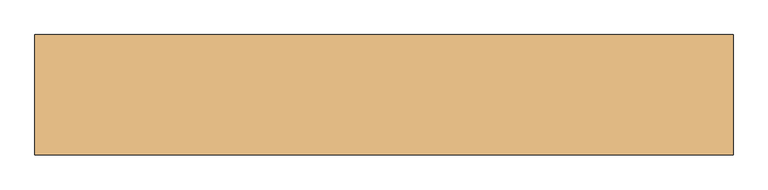
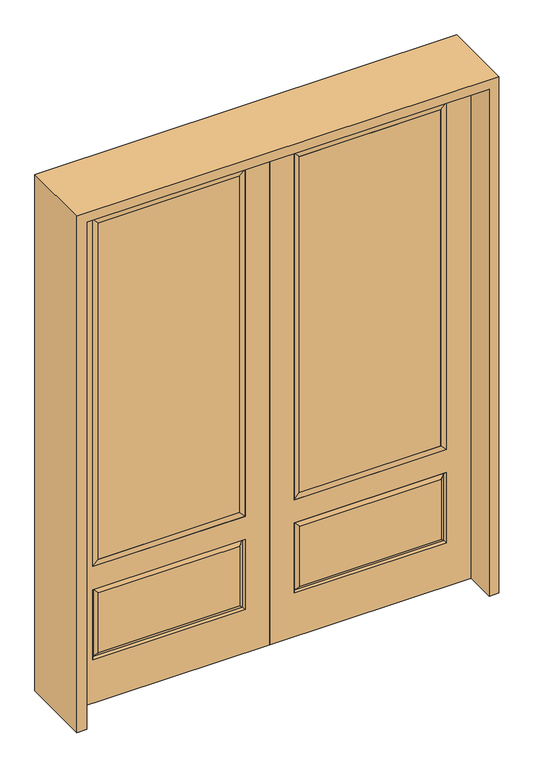
"""IFC4 building model written with IfcOpenShell, lengths in millimetres: door geometry."""

from ifc_helpers import new_model, si_unit, frame, origin, place, context, project, spatial, polyline, outline, extrude, faceted_brep, source, transform, mapped, element, save


def door_6c0e328c(model_context):
    return source(origin(), model_context, "Body", "SolidModel", [
        extrude(outline(polyline([(136.525, -20.32), (136.525, 5.08), (777.875, 5.08), (777.875, -20.32), (136.525, -20.32)])), frame((0.0, 0.0, 682.498), z_axis=(0.0, 0.0, 1.0), x_axis=(1.0, 0.0, 0.0)), (0.0, 0.0, 1.0), 1616.202),
        faceted_brep([(796.1661499, -12.7912373, 216.6588501), (778.66875, -22.225, 234.15625), (135.73125, -22.225, 234.15625), (118.2338501, -12.7912373, 216.6588501), (111.125, -22.225, 209.55), (803.275, -22.225, 209.55), (803.275, -22.225, 546.1), (796.1661499, -12.7912373, 538.9911499), (0.0, -22.225, 2438.4), (0.0, -22.225, 0.0), (914.4, -22.225, 0.0), (914.4, -22.225, 2438.4), (111.125, -22.225, 546.1), (111.125, -22.225, 2324.1), (803.275, -22.225, 2324.1), (803.275, -22.225, 657.098), (111.125, -22.225, 657.098), (778.66875, -22.225, 521.49375), (135.73125, -22.225, 521.49375), (118.2338501, -12.7912373, 538.9911499), (914.4, 22.225, 0.0), (914.4, 22.225, 2438.4), (0.0, 22.225, 0.0), (0.0, 22.225, 2438.4), (111.125, 22.225, 657.098), (111.125, 22.225, 2324.1), (803.275, 22.225, 657.098), (803.275, 22.225, 2324.1), (135.73125, 22.225, 234.15625), (135.73125, 22.225, 521.49375), (778.66875, 22.225, 521.49375), (778.66875, 22.225, 234.15625), (803.275, 22.225, 209.55), (803.275, 22.225, 546.1), (111.125, 22.225, 546.1), (111.125, 22.225, 209.55), (118.2338501, 12.7912373, 216.6588501), (796.1661499, 12.7912373, 216.6588501), (118.2338501, 12.7912373, 538.9911499), (796.1661499, 12.7912373, 538.9911499)], [[[0, 1, 2, 3]], [[3, 4, 5, 0]], [[5, 6, 7, 0]], [[8, 9, 10, 11], [4, 12, 6, 5], [13, 14, 15, 16]], [[1, 17, 18, 2]], [[3, 19, 12, 4]], [[2, 18, 19, 3]], [[0, 7, 17, 1]], [[6, 12, 19, 7]], [[7, 19, 18, 17]], [[10, 20, 21, 11]], [[9, 22, 20, 10]], [[8, 23, 22, 9]], [[16, 24, 25, 13]], [[15, 26, 24, 16]], [[14, 27, 26, 15]], [[28, 29, 30, 31]], [[23, 21, 20, 22], [25, 24, 26, 27], [32, 33, 34, 35]], [[32, 35, 36, 37]], [[35, 34, 38, 36]], [[39, 38, 34, 33]], [[37, 39, 33, 32]], [[36, 28, 31, 37]], [[31, 30, 39, 37]], [[30, 29, 38, 39]], [[36, 38, 29, 28]], [[11, 21, 23, 8]], [[13, 25, 27, 14]]]),
        faceted_brep([(803.275, -22.225, 2324.1), (803.275, -22.225, 657.098), (803.275, 22.225, 657.098), (803.275, 22.225, 2324.1), (111.125, -22.225, 657.098), (111.125, 22.225, 657.098), (136.525, 5.08, 682.498), (777.875, 5.08, 682.498), (111.125, -22.225, 2324.1), (111.125, 22.225, 2324.1), (777.875, -20.32, 682.498), (136.525, -20.32, 682.498), (777.875, -20.32, 2298.7), (136.525, -20.32, 2298.7), (777.875, 5.08, 2298.7), (136.525, 5.08, 2298.7)], [[[0, 1, 2, 3]], [[1, 4, 5, 2]], [[2, 5, 6, 7]], [[4, 8, 9, 5]], [[10, 11, 4, 1]], [[12, 10, 1, 0]], [[11, 13, 8, 4]], [[7, 6, 11, 10]], [[14, 7, 10, 12]], [[6, 15, 13, 11]], [[3, 2, 7, 14]], [[5, 9, 15, 6]], [[8, 0, 3, 9]], [[13, 12, 0, 8]], [[15, 14, 12, 13]], [[9, 3, 14, 15]]]),
        extrude(outline(polyline([(-136.525, -20.32), (-777.875, -20.32), (-777.875, 5.08), (-136.525, 5.08), (-136.525, -20.32)])), frame((0.0, 0.0, 682.498), z_axis=(0.0, 0.0, 1.0), x_axis=(1.0, 0.0, 0.0)), (0.0, 0.0, 1.0), 1616.202),
        faceted_brep([(-796.1661499, -12.7912373, 216.6588501), (-118.2338501, -12.7912373, 216.6588501), (-135.73125, -22.225, 234.15625), (-778.66875, -22.225, 234.15625), (-803.275, -22.225, 209.55), (-111.125, -22.225, 209.55), (-796.1661499, -12.7912373, 538.9911499), (-803.275, -22.225, 546.1), (-135.73125, -22.225, 521.49375), (-778.66875, -22.225, 521.49375), (0.0, -22.225, 2438.4), (-914.4, -22.225, 2438.4), (-914.4, -22.225, 0.0), (0.0, -22.225, 0.0), (-111.125, -22.225, 546.1), (-111.125, -22.225, 2324.1), (-111.125, -22.225, 657.098), (-803.275, -22.225, 657.098), (-803.275, -22.225, 2324.1), (-118.2338501, -12.7912373, 538.9911499), (-914.4, 22.225, 2438.4), (-914.4, 22.225, 0.0), (0.0, 22.225, 0.0), (0.0, 22.225, 2438.4), (-111.125, 22.225, 2324.1), (-111.125, 22.225, 657.098), (-803.275, 22.225, 657.098), (-803.275, 22.225, 2324.1), (-803.275, 22.225, 209.55), (-111.125, 22.225, 209.55), (-111.125, 22.225, 546.1), (-803.275, 22.225, 546.1), (-135.73125, 22.225, 234.15625), (-778.66875, 22.225, 234.15625), (-778.66875, 22.225, 521.49375), (-135.73125, 22.225, 521.49375), (-796.1661499, 12.7912373, 216.6588501), (-118.2338501, 12.7912373, 216.6588501), (-118.2338501, 12.7912373, 538.9911499), (-796.1661499, 12.7912373, 538.9911499)], [[[0, 1, 2, 3]], [[1, 0, 4, 5]], [[4, 0, 6, 7]], [[3, 2, 8, 9]], [[10, 11, 12, 13], [5, 4, 7, 14], [15, 16, 17, 18]], [[1, 5, 14, 19]], [[2, 1, 19, 8]], [[0, 3, 9, 6]], [[7, 6, 19, 14]], [[6, 9, 8, 19]], [[12, 11, 20, 21]], [[13, 12, 21, 22]], [[10, 13, 22, 23]], [[16, 15, 24, 25]], [[17, 16, 25, 26]], [[18, 17, 26, 27]], [[23, 22, 21, 20], [28, 29, 30, 31], [24, 27, 26, 25]], [[32, 33, 34, 35]], [[28, 36, 37, 29]], [[29, 37, 38, 30]], [[39, 31, 30, 38]], [[36, 28, 31, 39]], [[37, 36, 33, 32]], [[33, 36, 39, 34]], [[34, 39, 38, 35]], [[37, 32, 35, 38]], [[11, 10, 23, 20]], [[15, 18, 27, 24]]]),
        faceted_brep([(-803.275, -22.225, 2324.1), (-803.275, 22.225, 2324.1), (-803.275, 22.225, 657.098), (-803.275, -22.225, 657.098), (-111.125, 22.225, 657.098), (-111.125, -22.225, 657.098), (-777.875, 5.08, 682.498), (-136.525, 5.08, 682.498), (-111.125, 22.225, 2324.1), (-111.125, -22.225, 2324.1), (-777.875, -20.32, 682.498), (-136.525, -20.32, 682.498), (-777.875, -20.32, 2298.7), (-136.525, -20.32, 2298.7), (-777.875, 5.08, 2298.7), (-136.525, 5.08, 2298.7)], [[[0, 1, 2, 3]], [[3, 2, 4, 5]], [[2, 6, 7, 4]], [[5, 4, 8, 9]], [[10, 3, 5, 11]], [[12, 0, 3, 10]], [[11, 5, 9, 13]], [[6, 10, 11, 7]], [[14, 12, 10, 6]], [[7, 11, 13, 15]], [[1, 14, 6, 2]], [[4, 7, 15, 8]], [[9, 8, 1, 0]], [[13, 9, 0, 12]], [[15, 13, 12, 14]], [[8, 15, 14, 1]]]),
        extrude(outline(polyline([(2482.85, -958.85), (0.0, -958.85), (0.0, -914.4), (2438.4, -914.4), (2438.4, 914.4), (0.0, 914.4), (0.0, 958.85), (2482.85, 958.85), (2482.85, -958.85)])), frame((0.0, -165.1, 0.0), z_axis=(0.0, 1.0, 0.0), x_axis=(0.0, 0.0, 1.0)), (0.0, 0.0, 1.0), 330.2),
    ])


if __name__ == "__main__":
    model = new_model("IFC4")
    model_context = context("Model", 3, world=origin())
    ifc_project = project(units=[si_unit("LENGTHUNIT", "METRE", prefix="MILLI")], contexts=[model_context])
    site = spatial("IfcSite", under=ifc_project)
    building = spatial("IfcBuilding", under=site)
    placement = place(None, origin())
    door_shape = door_6c0e328c(model_context)
    element("IfcDoor", 1, at=placement, inside=building, context=model_context, shape_type="MappedRepresentation", body=[
        mapped(door_shape, transform((0.0, 0.0, 0.0), x_axis=(1.0, 0.0, 0.0), y_axis=(0.0, 1.0, 0.0), z_axis=(0.0, 0.0, 1.0))),
    ])
    save(model, "model.ifc")
